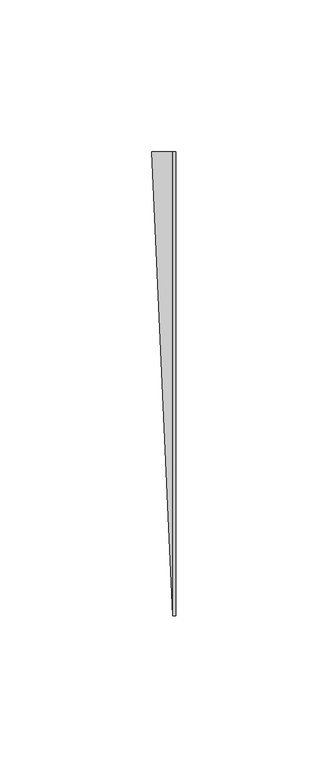
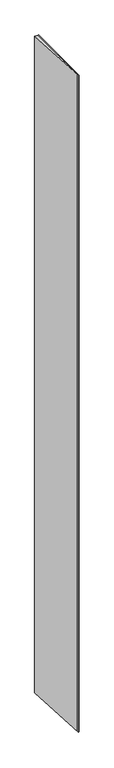
"""IFC4 building model written with IfcOpenShell, lengths in millimetres: proxy geometry."""

from ifc_helpers import new_model, si_unit, origin, origin_with_axes, place, context, project, spatial, polyline, outline, extrude, source, transform, mapped, element, save


def generic_models_763b245b(model_context):
    return source(origin(), model_context, "Body", "SweptSolid", [
        extrude(outline(polyline([(-1.0, 0.0), (0.0, 0.0), (0.0, -153.0), (-1.0, -153.0), (-1.0, 0.0)])), origin_with_axes(), (0.0, 0.0, 1.0), 1510.0),
        extrude(outline(polyline([(-8.0, 0.0), (-1.0, 0.0), (-1.0, -153.0), (-8.0, 0.0)])), origin_with_axes(), (0.0, 0.0, 1.0), 1510.0),
    ])


if __name__ == "__main__":
    model = new_model("IFC4")
    model_context = context("Model", 3, world=origin())
    ifc_project = project(units=[si_unit("LENGTHUNIT", "METRE", prefix="MILLI")], contexts=[model_context])
    site = spatial("IfcSite", under=ifc_project)
    building = spatial("IfcBuilding", under=site)
    placement = place(None, origin())
    generic_models_shape = generic_models_763b245b(model_context)
    element("IfcBuildingElementProxy", 1, Name="Generic Models", at=placement, inside=building, context=model_context, shape_type="MappedRepresentation", body=[
        mapped(generic_models_shape, transform((0.0, 0.0, 0.0), x_axis=(1.0, 0.0, 0.0), y_axis=(0.0, 1.0, 0.0), z_axis=(0.0, 0.0, 1.0))),
    ])
    save(model, "model.ifc")
